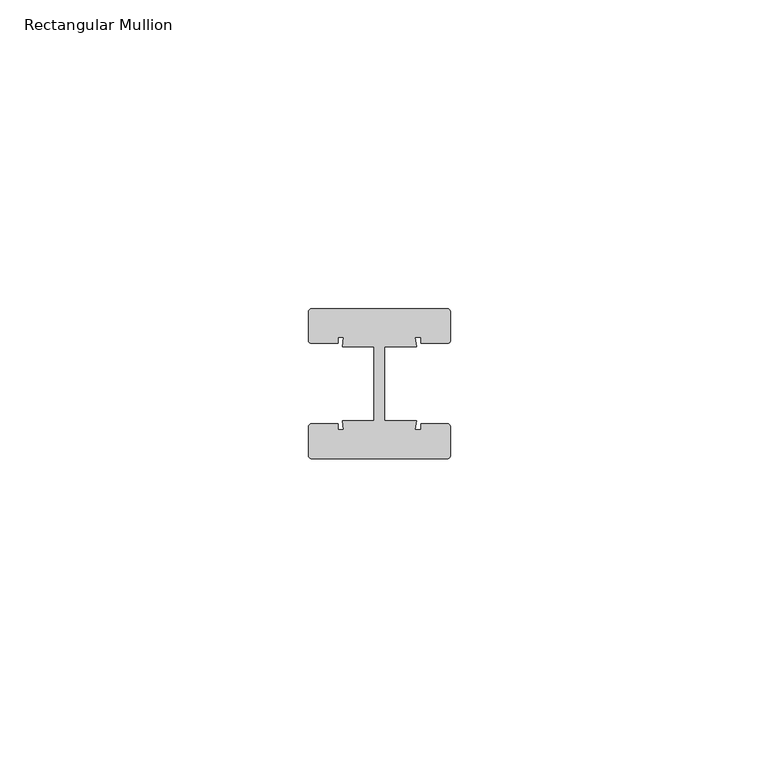
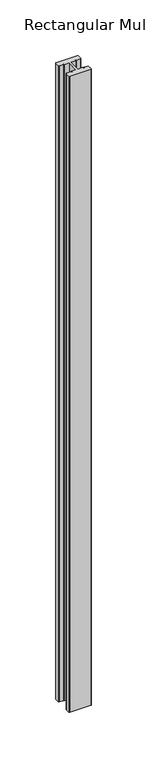
"""IFC4 building model written with IfcOpenShell, lengths in millimetres: member geometry, Rectangular Mullion."""

from ifc_helpers import new_model, si_unit, point, frame, frame_2d, origin, place, context, project, spatial, polyline, circle_curve, trimmed, segment, composite_curve, outline, extrude, source, transform, mapped, element, save


def rectangular_mullion_31cffcb1(model_context):
    return source(origin(), model_context, "Body", "SweptSolid", [
        extrude(outline(composite_curve([segment(trimmed(circle_curve(frame_2d((-11.0, 11.64)), 0.5), [point((-11.5, 11.64))], [point((-11.0, 12.14))], False, "CARTESIAN"), True, "CONTINUOUS"), segment(polyline([(-11.0, 12.14), (11.0, 12.14)]), True, "CONTINUOUS"), segment(trimmed(circle_curve(frame_2d((11.0, 11.64)), 0.5), [point((11.0, 12.14))], [point((11.5, 11.64))], False, "CARTESIAN"), True, "CONTINUOUS"), segment(polyline([(11.5, 11.64), (11.5, 7.0)]), True, "CONTINUOUS"), segment(trimmed(circle_curve(frame_2d((11.0, 7.0)), 0.5), [point((11.5, 7.0))], [point((11.0, 6.5))], False, "CARTESIAN"), True, "CONTINUOUS"), segment(polyline([(11.0, 6.5), (6.75, 6.5), (6.75, 7.5), (5.7984177, 7.5), (6.0, 6.0), (0.840625, 6.0), (0.840625, -6.0), (6.0, -6.0), (5.7984177, -7.5), (6.75, -7.5), (6.75, -6.5), (11.0, -6.5)]), True, "CONTINUOUS"), segment(trimmed(circle_curve(frame_2d((11.0, -7.0)), 0.5), [point((11.0, -6.5))], [point((11.5, -7.0))], False, "CARTESIAN"), True, "CONTINUOUS"), segment(polyline([(11.5, -7.0), (11.5, -11.64)]), True, "CONTINUOUS"), segment(trimmed(circle_curve(frame_2d((11.0, -11.64)), 0.5), [point((11.5, -11.64))], [point((11.0, -12.14))], False, "CARTESIAN"), True, "CONTINUOUS"), segment(polyline([(11.0, -12.14), (-11.0, -12.14)]), True, "CONTINUOUS"), segment(trimmed(circle_curve(frame_2d((-11.0, -11.64)), 0.5), [point((-11.0, -12.14))], [point((-11.5, -11.64))], False, "CARTESIAN"), True, "CONTINUOUS"), segment(polyline([(-11.5, -11.64), (-11.5, -7.0)]), True, "CONTINUOUS"), segment(trimmed(circle_curve(frame_2d((-11.0, -7.0)), 0.5), [point((-11.5, -7.0))], [point((-11.0, -6.5))], False, "CARTESIAN"), True, "CONTINUOUS"), segment(polyline([(-11.0, -6.5), (-6.75, -6.5), (-6.75, -7.5), (-5.7984177, -7.5), (-6.0, -6.0), (-0.840625, -6.0), (-0.840625, 6.0), (-6.0, 6.0), (-5.7984177, 7.5), (-6.75, 7.5), (-6.75, 6.5), (-11.0, 6.5)]), True, "CONTINUOUS"), segment(trimmed(circle_curve(frame_2d((-11.0, 7.0)), 0.5), [point((-11.0, 6.5))], [point((-11.5, 7.0))], False, "CARTESIAN"), True, "CONTINUOUS"), segment(polyline([(-11.5, 7.0), (-11.5, 11.64)]), True, "CONTINUOUS")], self_intersect=False)), frame((0.0, 0.0, -697.9612132), z_axis=(0.0, 0.0, 1.0), x_axis=(1.0, 0.0, 0.0)), (0.0, 0.0, 1.0), 697.9612132),
    ])


if __name__ == "__main__":
    model = new_model("IFC4")
    model_context = context("Model", 3, world=origin())
    ifc_project = project(units=[si_unit("LENGTHUNIT", "METRE", prefix="MILLI")], contexts=[model_context])
    site = spatial("IfcSite", under=ifc_project)
    building = spatial("IfcBuilding", under=site)
    placement = place(None, origin())
    rectangular_mullion_shape = rectangular_mullion_31cffcb1(model_context)
    element("IfcMember", 1, ObjectType="Rectangular Mullion", at=placement, inside=building, context=model_context, shape_type="MappedRepresentation", body=[
        mapped(rectangular_mullion_shape, transform((0.0, 0.0, 0.0), x_axis=(1.0, 0.0, 0.0), y_axis=(0.0, 1.0, 0.0), z_axis=(0.0, 0.0, 1.0))),
    ])
    save(model, "model.ifc")
